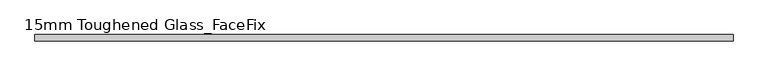
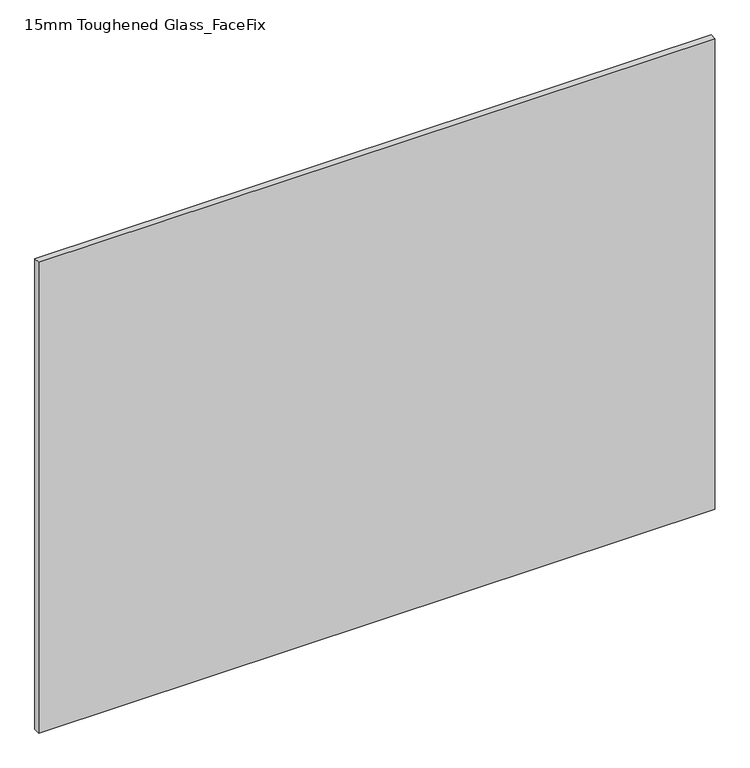
"""IFC4 building model written with IfcOpenShell, lengths in millimetres: plate geometry, 15mm Toughened Glass_FaceFix."""

from ifc_helpers import new_model, si_unit, origin, origin_with_axes, place, context, project, spatial, polyline, outline, extrude, source, transform, mapped, element, save


def plate_15mm_toughened_glass_facefix_0b7986f4(model_context):
    return source(origin(), model_context, "Body", "SweptSolid", [
        extrude(outline(polyline([(795.0000001, -24.5), (795.0000001, -39.5), (-795.0000001, -39.5), (-795.0000001, -24.5), (795.0000001, -24.5)])), origin_with_axes(), (0.0, 0.0, 1.0), 1170.0),
    ])


if __name__ == "__main__":
    model = new_model("IFC4")
    model_context = context("Model", 3, world=origin())
    ifc_project = project(units=[si_unit("LENGTHUNIT", "METRE", prefix="MILLI")], contexts=[model_context])
    site = spatial("IfcSite", under=ifc_project)
    building = spatial("IfcBuilding", under=site)
    placement = place(None, origin())
    plate_15mm_toughened_glass_facefix_shape = plate_15mm_toughened_glass_facefix_0b7986f4(model_context)
    element("IfcPlate", 1, ObjectType="15mm Toughened Glass_FaceFix", at=placement, inside=building, context=model_context, shape_type="MappedRepresentation", body=[
        mapped(plate_15mm_toughened_glass_facefix_shape, transform((0.0, 0.0, 0.0), x_axis=(1.0, 0.0, 0.0), y_axis=(0.0, 1.0, 0.0), z_axis=(0.0, 0.0, 1.0))),
    ])
    save(model, "model.ifc")
